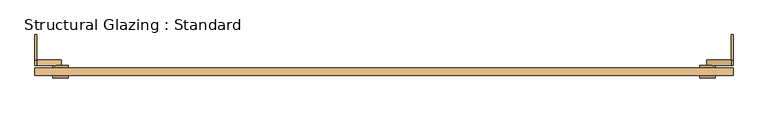
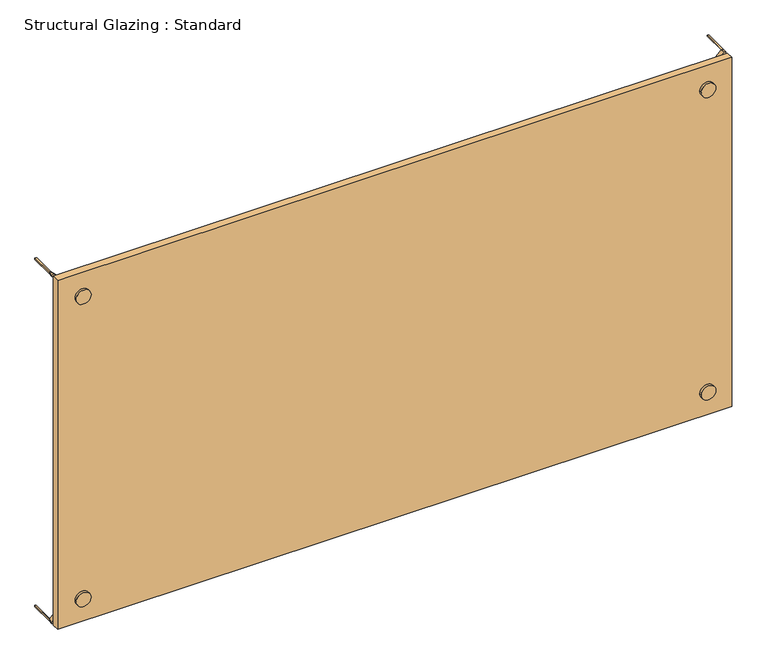
"""IFC4 building model written with IfcOpenShell, lengths in millimetres: door geometry, Structural Glazing : Standard."""

from ifc_helpers import new_model, si_unit, point, frame, frame_2d, origin, origin_with_axes, place, context, project, spatial, polyline, circle_curve, trimmed, segment, composite_curve, outline, extrude, source, transform, mapped, element, save


def structural_glazing_standard_2447d484(model_context):
    return source(origin(), model_context, "Body", "SweptSolid", [
        extrude(outline(composite_curve([segment(trimmed(circle_curve(frame_2d((100.0, 1269.2209151)), 30.0), [point((100.0, 1239.2209151))], [point((100.0, 1299.2209151))], False, "CARTESIAN"), True, "CONTINUOUS"), segment(trimmed(circle_curve(frame_2d((100.0, 1269.2209151)), 30.0), [point((100.0, 1299.2209151))], [point((100.0, 1239.2209151))], False, "CARTESIAN"), True, "CONTINUOUS")], self_intersect=False)), frame((0.0, 28.9615014, 0.0), z_axis=(0.0, 1.0, 0.0), x_axis=(0.0, 0.0, 1.0)), (0.0, 0.0, 1.0), 10.0),
        extrude(outline(composite_curve([segment(trimmed(circle_curve(frame_2d((100.0, -1269.2209151)), 30.0), [point((100.0, -1299.2209151))], [point((100.0, -1239.2209151))], False, "CARTESIAN"), True, "CONTINUOUS"), segment(trimmed(circle_curve(frame_2d((100.0, -1269.2209151)), 30.0), [point((100.0, -1239.2209151))], [point((100.0, -1299.2209151))], False, "CARTESIAN"), True, "CONTINUOUS")], self_intersect=False)), frame((0.0, 28.9615014, 0.0), z_axis=(0.0, 1.0, 0.0), x_axis=(0.0, 0.0, 1.0)), (0.0, 0.0, 1.0), 10.0),
        extrude(outline(composite_curve([segment(trimmed(circle_curve(frame_2d((1400.0, -1269.2209151)), 30.0), [point((1400.0, -1299.2209151))], [point((1400.0, -1239.2209151))], False, "CARTESIAN"), True, "CONTINUOUS"), segment(trimmed(circle_curve(frame_2d((1400.0, -1269.2209151)), 30.0), [point((1400.0, -1239.2209151))], [point((1400.0, -1299.2209151))], False, "CARTESIAN"), True, "CONTINUOUS")], self_intersect=False)), frame((0.0, 28.9615014, 0.0), z_axis=(0.0, 1.0, 0.0), x_axis=(0.0, 0.0, 1.0)), (0.0, 0.0, 1.0), 10.0),
        extrude(outline(composite_curve([segment(trimmed(circle_curve(frame_2d((1400.0, 1269.2209151)), 30.0), [point((1400.0, 1239.2209151))], [point((1400.0, 1299.2209151))], False, "CARTESIAN"), True, "CONTINUOUS"), segment(trimmed(circle_curve(frame_2d((1400.0, 1269.2209151)), 30.0), [point((1400.0, 1299.2209151))], [point((1400.0, 1239.2209151))], False, "CARTESIAN"), True, "CONTINUOUS")], self_intersect=False)), frame((0.0, 28.9615014, 0.0), z_axis=(0.0, 1.0, 0.0), x_axis=(0.0, 0.0, 1.0)), (0.0, 0.0, 1.0), 10.0),
        extrude(outline(composite_curve([segment(trimmed(circle_curve(frame_2d((100.0, -1269.2209151)), 30.0), [point((100.0, -1299.2209151))], [point((100.0, -1239.2209151))], False, "CARTESIAN"), True, "CONTINUOUS"), segment(trimmed(circle_curve(frame_2d((100.0, -1269.2209151)), 30.0), [point((100.0, -1239.2209151))], [point((100.0, -1299.2209151))], False, "CARTESIAN"), True, "CONTINUOUS")], self_intersect=False)), frame((0.0, -11.0384986, 0.0), z_axis=(0.0, 1.0, 0.0), x_axis=(0.0, 0.0, 1.0)), (0.0, 0.0, 1.0), 10.0),
        extrude(outline(composite_curve([segment(trimmed(circle_curve(frame_2d((100.0, 1269.2209151)), 30.0), [point((100.0, 1239.2209151))], [point((100.0, 1299.2209151))], False, "CARTESIAN"), True, "CONTINUOUS"), segment(trimmed(circle_curve(frame_2d((100.0, 1269.2209151)), 30.0), [point((100.0, 1299.2209151))], [point((100.0, 1239.2209151))], False, "CARTESIAN"), True, "CONTINUOUS")], self_intersect=False)), frame((0.0, -11.0384986, 0.0), z_axis=(0.0, 1.0, 0.0), x_axis=(0.0, 0.0, 1.0)), (0.0, 0.0, 1.0), 10.0),
        extrude(outline(composite_curve([segment(trimmed(circle_curve(frame_2d((1400.0, -1269.2209151)), 30.0), [point((1400.0, -1299.2209151))], [point((1400.0, -1239.2209151))], False, "CARTESIAN"), True, "CONTINUOUS"), segment(trimmed(circle_curve(frame_2d((1400.0, -1269.2209151)), 30.0), [point((1400.0, -1239.2209151))], [point((1400.0, -1299.2209151))], False, "CARTESIAN"), True, "CONTINUOUS")], self_intersect=False)), frame((0.0, -11.0384986, 0.0), z_axis=(0.0, 1.0, 0.0), x_axis=(0.0, 0.0, 1.0)), (0.0, 0.0, 1.0), 10.0),
        extrude(outline(composite_curve([segment(trimmed(circle_curve(frame_2d((1400.0, 1269.2209151)), 30.0), [point((1400.0, 1239.2209151))], [point((1400.0, 1299.2209151))], False, "CARTESIAN"), True, "CONTINUOUS"), segment(trimmed(circle_curve(frame_2d((1400.0, 1269.2209151)), 30.0), [point((1400.0, 1299.2209151))], [point((1400.0, 1239.2209151))], False, "CARTESIAN"), True, "CONTINUOUS")], self_intersect=False)), frame((0.0, -11.0384986, 0.0), z_axis=(0.0, 1.0, 0.0), x_axis=(0.0, 0.0, 1.0)), (0.0, 0.0, 1.0), 10.0),
        extrude(outline(polyline([(1369.2209151, 28.9615014), (1369.2209151, -1.0384986), (-1369.2209151, -1.0384986), (-1369.2209151, 28.9615014), (1369.2209151, 28.9615014)])), origin_with_axes(), (0.0, 0.0, 1.0), 1500.0),
        extrude(outline(composite_curve([segment(polyline([(0.0, 1369.2209151), (7.0710678, 1369.2209151)]), True, "CONTINUOUS"), segment(trimmed(circle_curve(frame_2d((0.0, 1369.2209151)), 7.0710678), [point((7.0710678, 1369.2209151))], [point((0.0, 1362.1498473))], False, "CARTESIAN"), True, "CONTINUOUS"), segment(polyline([(0.0, 1362.1498473), (0.0, 1369.2209151)]), True, "CONTINUOUS")], self_intersect=False)), frame((0.0, 58.9615014, 0.0), z_axis=(0.0, 1.0, 0.0), x_axis=(0.0, 0.0, 1.0)), (0.0, 0.0, 1.0), 100.0),
        extrude(outline(composite_curve([segment(polyline([(0.0, -1369.2209151), (0.0, -1362.1498473)]), True, "CONTINUOUS"), segment(trimmed(circle_curve(frame_2d((0.0, -1369.2209151)), 7.0710678), [point((0.0, -1362.1498473))], [point((7.0710678, -1369.2209151))], False, "CARTESIAN"), True, "CONTINUOUS"), segment(polyline([(7.0710678, -1369.2209151), (0.0, -1369.2209151)]), True, "CONTINUOUS")], self_intersect=False)), frame((0.0, 58.9615014, 0.0), z_axis=(0.0, 1.0, 0.0), x_axis=(0.0, 0.0, 1.0)), (0.0, 0.0, 1.0), 100.0),
        extrude(outline(composite_curve([segment(polyline([(1500.0, 1369.2209151), (1500.0, 1362.1498473)]), True, "CONTINUOUS"), segment(trimmed(circle_curve(frame_2d((1500.0, 1369.2209151)), 7.0710678), [point((1500.0, 1362.1498473))], [point((1492.9289322, 1369.2209151))], False, "CARTESIAN"), True, "CONTINUOUS"), segment(polyline([(1492.9289322, 1369.2209151), (1500.0, 1369.2209151)]), True, "CONTINUOUS")], self_intersect=False)), frame((0.0, 58.9615014, 0.0), z_axis=(0.0, 1.0, 0.0), x_axis=(0.0, 0.0, 1.0)), (0.0, 0.0, 1.0), 100.0),
        extrude(outline(composite_curve([segment(polyline([(1500.0, -1362.1498473), (1500.0, -1369.2209151), (1492.9289322, -1369.2209151)]), True, "CONTINUOUS"), segment(trimmed(circle_curve(frame_2d((1500.0, -1369.2209151)), 7.0710678), [point((1492.9289322, -1369.2209151))], [point((1500.0, -1362.1498473))], False, "CARTESIAN"), True, "CONTINUOUS")], self_intersect=False)), frame((0.0, 58.9615014, 0.0), z_axis=(0.0, 1.0, 0.0), x_axis=(0.0, 0.0, 1.0)), (0.0, 0.0, 1.0), 100.0),
        extrude(outline(polyline([(103.5355339, 1272.756449), (96.4644661, 1265.6853812), (0.0, 1362.1498473), (0.0, 1369.2209151), (7.0710678, 1369.2209151), (103.5355339, 1272.756449)])), frame((0.0, 38.9615014, 0.0), z_axis=(0.0, 1.0, 0.0), x_axis=(0.0, 0.0, 1.0)), (0.0, 0.0, 1.0), 20.0),
        extrude(outline(polyline([(0.0, -1369.2209151), (0.0, -1362.1498473), (96.4644661, -1265.6853812), (103.5355339, -1272.756449), (7.0710678, -1369.2209151), (0.0, -1369.2209151)])), frame((0.0, 38.9615014, 0.0), z_axis=(0.0, 1.0, 0.0), x_axis=(0.0, 0.0, 1.0)), (0.0, 0.0, 1.0), 20.0),
        extrude(outline(polyline([(1500.0, -1362.1498473), (1500.0, -1369.2209151), (1492.9289322, -1369.2209151), (1396.4644661, -1272.756449), (1403.5355339, -1265.6853812), (1500.0, -1362.1498473)])), frame((0.0, 38.9615014, 0.0), z_axis=(0.0, 1.0, 0.0), x_axis=(0.0, 0.0, 1.0)), (0.0, 0.0, 1.0), 20.0),
        extrude(outline(polyline([(1500.0, 1362.1498473), (1403.5355339, 1265.6853812), (1396.4644661, 1272.756449), (1492.9289322, 1369.2209151), (1500.0, 1369.2209151), (1500.0, 1362.1498473)])), frame((0.0, 38.9615014, 0.0), z_axis=(0.0, 1.0, 0.0), x_axis=(0.0, 0.0, 1.0)), (0.0, 0.0, 1.0), 20.0),
    ])


if __name__ == "__main__":
    model = new_model("IFC4")
    model_context = context("Model", 3, world=origin())
    ifc_project = project(units=[si_unit("LENGTHUNIT", "METRE", prefix="MILLI")], contexts=[model_context])
    site = spatial("IfcSite", under=ifc_project)
    building = spatial("IfcBuilding", under=site)
    placement = place(None, origin())
    structural_glazing_standard_shape = structural_glazing_standard_2447d484(model_context)
    element("IfcDoor", 1, ObjectType="Structural Glazing : Standard", at=placement, inside=building, context=model_context, shape_type="MappedRepresentation", body=[
        mapped(structural_glazing_standard_shape, transform((0.0, 0.0, 0.0), x_axis=(1.0, 0.0, 0.0), y_axis=(0.0, 1.0, 0.0), z_axis=(0.0, 0.0, 1.0))),
    ])
    save(model, "model.ifc")
